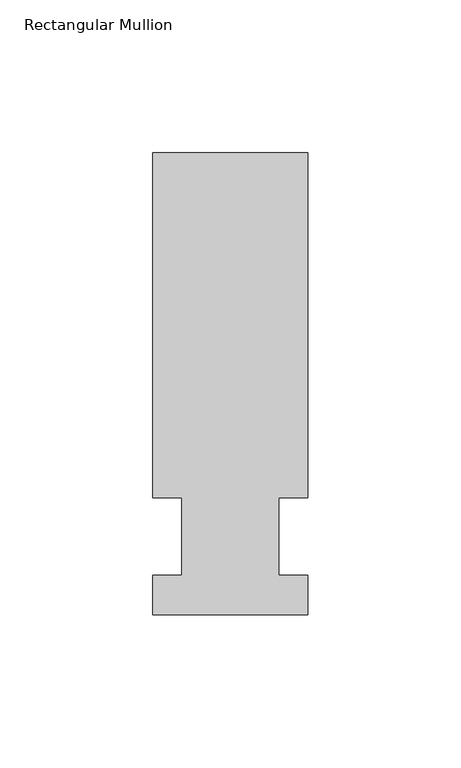
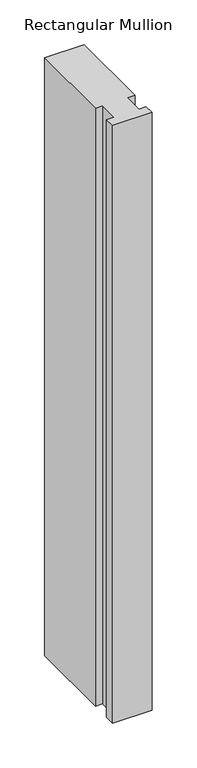
"""IFC4 building model written with IfcOpenShell, lengths in millimetres: member geometry, Rectangular Mullion."""

from ifc_helpers import new_model, si_unit, frame, origin, place, context, project, spatial, polyline, outline, extrude, source, transform, mapped, element, save


def rectangular_mullion_08a32edf(model_context):
    return source(origin(), model_context, "Body", "SweptSolid", [
        extrude(outline(polyline([(-25.4, -25.5984375), (-25.4, -12.7), (-15.875, -12.7), (-15.875, 12.7), (-25.4, 12.7), (-25.4, 125.6109375), (25.4, 125.6109375), (25.4, 12.7), (15.875, 12.7), (15.875, -12.7), (25.4, -12.7), (25.4, -25.5984375), (-25.4, -25.5984375)])), frame((0.0, 0.0, -812.8), z_axis=(0.0, 0.0, 1.0), x_axis=(1.0, 0.0, 0.0)), (0.0, 0.0, 1.0), 812.8),
    ])


if __name__ == "__main__":
    model = new_model("IFC4")
    model_context = context("Model", 3, world=origin())
    ifc_project = project(units=[si_unit("LENGTHUNIT", "METRE", prefix="MILLI")], contexts=[model_context])
    site = spatial("IfcSite", under=ifc_project)
    building = spatial("IfcBuilding", under=site)
    placement = place(None, origin())
    rectangular_mullion_shape = rectangular_mullion_08a32edf(model_context)
    element("IfcMember", 1, ObjectType="Rectangular Mullion", at=placement, inside=building, context=model_context, shape_type="MappedRepresentation", body=[
        mapped(rectangular_mullion_shape, transform((0.0, 0.0, 0.0), x_axis=(1.0, 0.0, 0.0), y_axis=(0.0, 1.0, 0.0), z_axis=(0.0, 0.0, 1.0))),
    ])
    save(model, "model.ifc")
